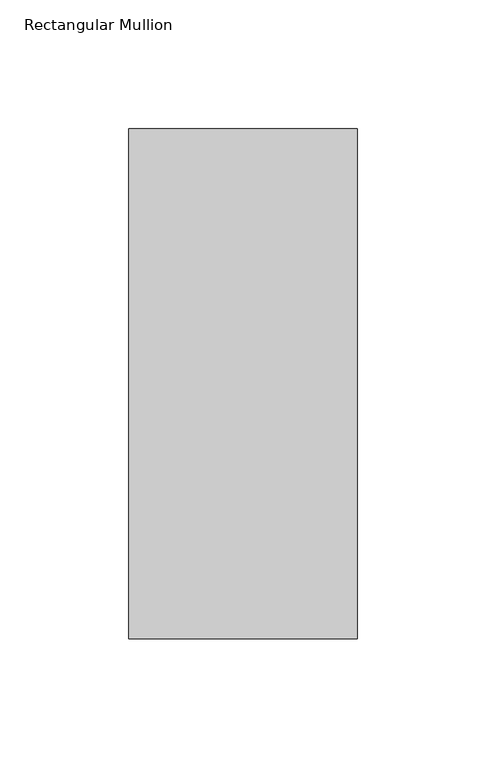
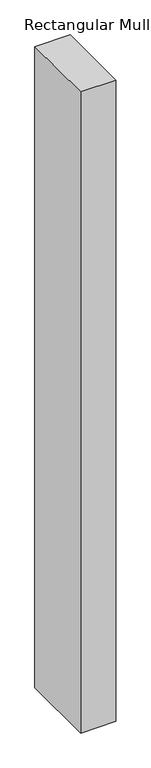
"""IFC4 building model written with IfcOpenShell, lengths in millimetres: member geometry, Rectangular Mullion."""

import ifcopenshell
import ifcopenshell.guid

model = None  # the IFC model being written
_history = None  # IfcOwnerHistory: only IFC2X3 demands one
_inside = {}  # id of a spatial element -> (the spatial element, [elements in it])
_under = {}  # id of a project, library or spatial element -> (it, [spatial elements below it])
_declared = {}  # id of a project -> (the project, [libraries it declares])
_typed = {}  # id of a type object -> (the type object, [elements of that type])
_made_of = {}  # id of a material, layer set ... -> (it, [elements and type objects made of it])


def new_model(schema):
    """Start an empty IFC model of exactly this schema.

    Asked for "IFC4X3", IfcOpenShell would pick the latest addendum, in which some entities
    have other attributes; the version numbers below select the first issue.
    IFC2X3 requires an IfcOwnerHistory on every rooted entity: one is made here for all.
    """
    global model, _history
    if schema == "IFC4X3":
        model = ifcopenshell.file(schema_version=(4, 3, 0, 0))
    else:
        model = ifcopenshell.file(schema=schema)
    _inside.clear()
    _under.clear()
    _declared.clear()
    _typed.clear()
    _made_of.clear()
    _history = None
    if model.schema == "IFC2X3":
        org = make("IfcOrganization", Name="unknown")
        user = make(
            "IfcPersonAndOrganization",
            ThePerson=make("IfcPerson", FamilyName="unknown"),
            TheOrganization=org,
        )
        app = make(
            "IfcApplication",
            ApplicationDeveloper=org,
            Version="unknown",
            ApplicationFullName="unknown",
            ApplicationIdentifier="unknown",
        )
        _history = make(
            "IfcOwnerHistory",
            OwningUser=user,
            OwningApplication=app,
            ChangeAction="ADDED",
            CreationDate=0,
        )
    return model


def make(cls, **values):
    """One entity of the class cls with the attributes given. An attribute that is None is left unset."""
    return model.create_entity(
        cls, **{name: value for name, value in values.items() if value is not None}
    )


def rooted(cls, **values):
    """An entity with a GlobalId (a new one), such as an element, a storey or a relation."""
    return make(cls, GlobalId=ifcopenshell.guid.new(), OwnerHistory=_history, **values)


def si_unit(unit_type, name, prefix=None):
    """IfcSIUnit, for example si_unit("LENGTHUNIT", "METRE", prefix="MILLI")."""
    return make("IfcSIUnit", UnitType=unit_type, Prefix=prefix, Name=name)


def assignment(units):
    """IfcUnitAssignment: the units of a project."""
    return None if units is None else make("IfcUnitAssignment", Units=units)


def point(xyz):
    """IfcCartesianPoint."""
    return None if xyz is None else make("IfcCartesianPoint", Coordinates=xyz)


def direction(xyz):
    """IfcDirection."""
    return None if xyz is None else make("IfcDirection", DirectionRatios=xyz)


def frame(location, z_axis=None, x_axis=None):
    """IfcAxis2Placement3D, a coordinate frame: its origin and axes. An axis left out is left unset."""
    return make(
        "IfcAxis2Placement3D",
        Location=point(location),
        Axis=direction(z_axis),
        RefDirection=direction(x_axis),
    )


def origin():
    """The frame at (0, 0, 0) with its axes left unset."""
    return frame((0.0, 0.0, 0.0))


def place(relative_to, where):
    """IfcLocalPlacement: puts the frame where relative to a parent placement (None: the world)."""
    return make(
        "IfcLocalPlacement", PlacementRelTo=relative_to, RelativePlacement=where
    )


def context(
    kind, dimensions, precision=None, world=None, true_north=None, identifier=None
):
    """IfcGeometricRepresentationContext, for example the 3D "Model" context."""
    return make(
        "IfcGeometricRepresentationContext",
        ContextIdentifier=identifier,
        ContextType=kind,
        CoordinateSpaceDimension=dimensions,
        Precision=precision,
        WorldCoordinateSystem=world,
        TrueNorth=true_north,
    )


def project(units=None, contexts=None):
    """IfcProject with its units and contexts."""
    return rooted(
        "IfcProject",
        Name="project",
        RepresentationContexts=contexts,
        UnitsInContext=assignment(units),
    )


def spatial(cls, under=None, at=None, **own):
    """A site, building, storey or space (cls), placed at a placement, below another one or the project."""
    s = rooted(cls, ObjectPlacement=at, **own)
    if under is not None:
        _under.setdefault(under.id(), (under, []))[1].append(s)
    return s


def polyline(points):
    """IfcPolyline through the points."""
    return make("IfcPolyline", Points=[point(p) for p in points])


def outline(outer, holes=None, kind="AREA"):
    """IfcArbitraryClosedProfileDef: a profile drawn as a closed curve; with holes, ...WithVoids."""
    if holes is None:
        return make("IfcArbitraryClosedProfileDef", ProfileType=kind, OuterCurve=outer)
    return make(
        "IfcArbitraryProfileDefWithVoids",
        ProfileType=kind,
        OuterCurve=outer,
        InnerCurves=holes,
    )


def extrude(swept, where, along, depth):
    """IfcExtrudedAreaSolid: the profile swept, set in the frame where, extruded along a direction by depth."""
    return make(
        "IfcExtrudedAreaSolid",
        SweptArea=swept,
        Position=where,
        ExtrudedDirection=direction(along),
        Depth=depth,
    )


def shape(context_of_items, identifier, shape_type, items):
    """IfcShapeRepresentation: the items that make up one representation, for example the "Body"."""
    return make(
        "IfcShapeRepresentation",
        ContextOfItems=context_of_items,
        RepresentationIdentifier=identifier,
        RepresentationType=shape_type,
        Items=items,
    )


def source(mapping_origin, context_of_items, identifier, shape_type, items):
    """IfcRepresentationMap: a shape defined once, which mapped items show again and again."""
    return make(
        "IfcRepresentationMap",
        MappingOrigin=mapping_origin,
        MappedRepresentation=shape(context_of_items, identifier, shape_type, items),
    )


def transform(
    local_origin,
    x_axis=None,
    y_axis=None,
    z_axis=None,
    scale=None,
    scale2=None,
    scale3=None,
    uniform=True,
):
    """IfcCartesianTransformationOperator3D, or its non-uniform kind. x_axis, y_axis, z_axis: its Axis1, 2, 3."""
    if uniform:
        return make(
            "IfcCartesianTransformationOperator3D",
            Axis1=direction(x_axis),
            Axis2=direction(y_axis),
            LocalOrigin=point(local_origin),
            Scale=scale,
            Axis3=direction(z_axis),
        )
    return make(
        "IfcCartesianTransformationOperator3DnonUniform",
        Axis1=direction(x_axis),
        Axis2=direction(y_axis),
        LocalOrigin=point(local_origin),
        Scale=scale,
        Axis3=direction(z_axis),
        Scale2=scale2,
        Scale3=scale3,
    )


def mapped(mapping_source, mapping_target):
    """IfcMappedItem: shows the shape of a source again, moved by a transform."""
    return make(
        "IfcMappedItem", MappingSource=mapping_source, MappingTarget=mapping_target
    )


def made_of(thing, what):
    """Note that an element or type object is made of a material, layer set ...; save() writes the relation."""
    if what is not None:
        _made_of.setdefault(what.id(), (what, []))[1].append(thing)
    return thing


def element(
    cls,
    number,
    at=None,
    inside=None,
    cuts=None,
    type_object=None,
    material=None,
    context=None,
    identifier="Body",
    shape_type=None,
    held_by="IfcProductDefinitionShape",
    body=None,
    shapes=None,
    **own,
):
    """One element of the class cls, such as IfcWall. Its Tag is "e" and its number.

    at: its placement. inside: the storey or other place that contains it. cuts: it is an
    opening in that element (IfcRelVoidsElement). A single representation is given by context,
    identifier, shape_type and body (its items); several are given by shapes. held_by: the class
    of the entity that holds the representations. save() writes the other relations.
    """
    e = rooted(cls, Tag="e%d" % number, ObjectPlacement=at, **own)
    if body is not None:
        shapes = [shape(context, identifier, shape_type, body)]
    if shapes is not None:
        e.Representation = make(held_by, Representations=shapes)
    if inside is not None:
        _inside.setdefault(inside.id(), (inside, []))[1].append(e)
    if cuts is not None:
        rooted(
            "IfcRelVoidsElement", RelatingBuildingElement=cuts, RelatedOpeningElement=e
        )
    if type_object is not None:
        _typed.setdefault(type_object.id(), (type_object, []))[1].append(e)
    return made_of(e, material)


def aggregate(whole, parts):
    """IfcRelAggregates: a whole, such as a stair, and the parts it consists of."""
    return rooted("IfcRelAggregates", RelatingObject=whole, RelatedObjects=parts)


def save(model, path):
    """Write the relations noted so far, then the file.

    IfcRelAggregates (storeys below a building ...), IfcRelContainedInSpatialStructure (elements
    in a storey), IfcRelDefinesByType, IfcRelAssociatesMaterial and IfcRelDeclares: one each for
    every whole, place, type object, material and project.
    """
    for whole, parts in _under.values():
        aggregate(whole, parts)
    for where, things in _inside.values():
        rooted(
            "IfcRelContainedInSpatialStructure",
            RelatedElements=things,
            RelatingStructure=where,
        )
    for kind, things in _typed.values():
        rooted("IfcRelDefinesByType", RelatedObjects=things, RelatingType=kind)
    for what, things in _made_of.values():
        rooted("IfcRelAssociatesMaterial", RelatedObjects=things, RelatingMaterial=what)
    for by, libraries in _declared.values():
        rooted("IfcRelDeclares", RelatingContext=by, RelatedDefinitions=libraries)
    model.write(path)


def rectangular_mullion_79668aee(model_context):
    return source(origin(), model_context, "Body", "SweptSolid", [
        extrude(outline(polyline([(-88.9, 42.06875), (0.0, 42.06875), (0.0, -156.36875), (-88.9, -156.36875), (-88.9, 42.06875)])), frame((0.0, 0.0, -1701.8), z_axis=(0.0, 0.0, 1.0), x_axis=(1.0, 0.0, 0.0)), (0.0, 0.0, 1.0), 1701.8),
    ])


if __name__ == "__main__":
    model = new_model("IFC4")
    model_context = context("Model", 3, world=origin())
    ifc_project = project(units=[si_unit("LENGTHUNIT", "METRE", prefix="MILLI")], contexts=[model_context])
    site = spatial("IfcSite", under=ifc_project)
    building = spatial("IfcBuilding", under=site)
    placement = place(None, origin())
    rectangular_mullion_shape = rectangular_mullion_79668aee(model_context)
    element("IfcMember", 1, ObjectType="Rectangular Mullion", at=placement, inside=building, context=model_context, shape_type="MappedRepresentation", body=[
        mapped(rectangular_mullion_shape, transform((0.0, 0.0, 0.0), x_axis=(1.0, 0.0, 0.0), y_axis=(0.0, 1.0, 0.0), z_axis=(0.0, 0.0, 1.0))),
    ])
    save(model, "model.ifc")
